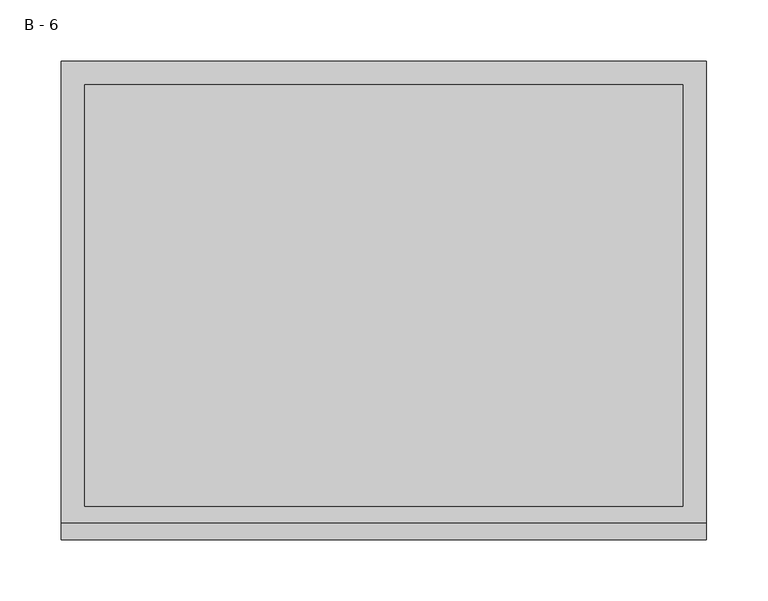
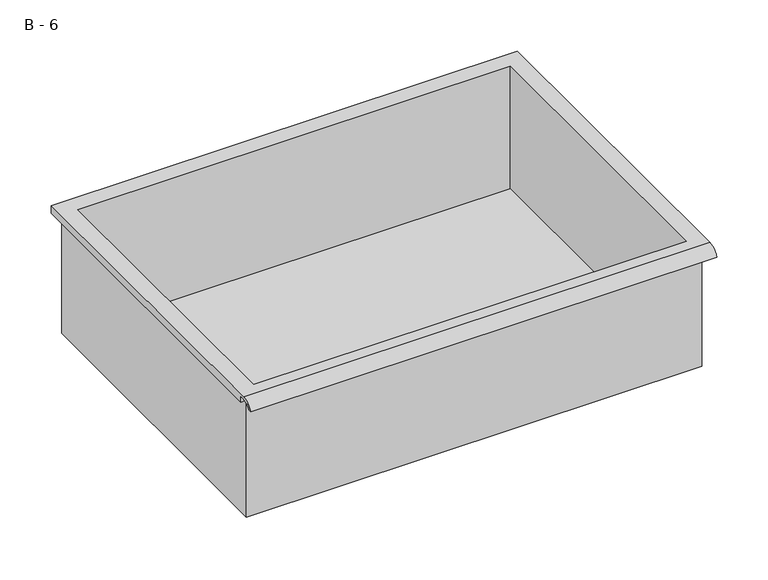
"""IFC4 building model written with IfcOpenShell, lengths in millimetres: furniture geometry, B - 6."""

from ifc_helpers import new_model, si_unit, frame, origin, place, context, project, spatial, polyline, circle_curve, source, transform, mapped, element, save
from ifc_brep_helpers import plane_surface, cylinder_surface, revolved_surface, advanced_brep


def b_6_684e5db0(model_context):
    return source(origin(), model_context, "Body", "AdvancedBrep", [
        advanced_brep(
        [(-257.1076517, -176.2125, 379.41504), (257.2423483, -176.2125, 379.41504), (257.2423483, -176.2125, 519.11504), (263.5923483, -176.2125, 519.11504), (263.5923483, -176.2125, 525.4221741), (-263.4576517, -176.2125, 525.4221741), (-263.4576517, -176.2125, 519.11504), (-257.1076517, -176.2125, 519.11504), (257.2423483, 185.7375, 379.41504), (-257.1076517, 185.7375, 379.41504), (-257.1076517, 185.7375, 519.11504), (257.2423483, 185.7375, 519.11504), (263.5923483, -181.6070544, 528.64004), (263.5923483, 195.2625, 528.64004), (-263.4576517, 195.2625, 528.64004), (-263.4576517, -181.6070544, 528.64004), (244.5423483, -168.275, 528.64004), (-244.4076517, -168.275, 528.64004), (-244.4076517, 176.2125, 528.64004), (244.5423483, 176.2125, 528.64004), (263.5923483, -195.2625, 519.11504), (263.5923483, -191.8280601, 519.11504), (263.5923483, -180.4714815, 525.4221741), (263.5923483, 195.2625, 519.11504), (-263.4576517, 195.2625, 519.11504), (-263.4576517, -180.4714815, 525.4221741), (-263.4576517, -191.8280601, 519.11504), (-263.4576517, -195.2625, 519.11504), (-244.4076517, -168.275, 382.4412119), (244.5423483, -168.275, 382.4412119), (244.5423483, 176.2125, 382.4412119), (-244.4076517, 176.2125, 382.4412119)],
        [
            (0, 1),
            (1, 2),
            (2, 3),
            (3, 4),
            (4, 5),
            (5, 6),
            (6, 7),
            (7, 0),
            (8, 9),
            (9, 10),
            (10, 11),
            (11, 8),
            (0, 9),
            (8, 1),
            (11, 2),
            (12, 13),
            (13, 14),
            (14, 15),
            (15, 12),
            (16, 17),
            (17, 18),
            (18, 19),
            (19, 16),
            (7, 10),
            (12, 20, circle_curve(frame((263.5923483, -181.6070544, 514.0890259), z_axis=(1.0, 0.0, 0.0), x_axis=(0.0, 1.0, 0.0)), 14.5510141)),
            (20, 21),
            (21, 22, circle_curve(frame((263.5923483, -181.6070544, 514.0890259), z_axis=(-1.0, 0.0, 0.0), x_axis=(0.0, 1.0, 0.0)), 11.3898979)),
            (22, 4),
            (3, 23),
            (23, 13),
            (14, 24),
            (24, 6),
            (5, 25),
            (25, 26, circle_curve(frame((-263.4576517, -181.6070544, 514.0890259), z_axis=(1.0, 0.0, 0.0), x_axis=(0.0, 1.0, 0.0)), 11.3898979)),
            (26, 27),
            (27, 15, circle_curve(frame((-263.4576517, -181.6070544, 514.0890259), z_axis=(-1.0, 0.0, 0.0), x_axis=(0.0, 1.0, 0.0)), 14.5510141)),
            (27, 20),
            (26, 21),
            (25, 22),
            (24, 23),
            (28, 29),
            (29, 30),
            (30, 31),
            (31, 28),
            (28, 17),
            (16, 29),
            (19, 30),
            (18, 31),
        ],
        [
            plane_surface(frame((257.2423483, -176.2125, 379.41504), z_axis=(0.0, -1.0, 0.0), x_axis=(1.0, 0.0, 0.0))),
            plane_surface(frame((257.2423483, 185.7375, 379.41504), z_axis=(0.0, 1.0, 0.0), x_axis=(-1.0, 0.0, 0.0))),
            plane_surface(frame((-257.1076517, -176.2125, 379.41504), z_axis=(0.0, 0.0, -1.0), x_axis=(0.0, 1.0, 0.0))),
            plane_surface(frame((257.2423483, -176.2125, 379.41504), z_axis=(1.0, 0.0, 0.0), x_axis=(0.0, 1.0, 0.0))),
            plane_surface(frame((257.2423483, -176.2125, 528.64004), z_axis=(0.0, 0.0, 1.0), x_axis=(0.0, 1.0, 0.0))),
            plane_surface(frame((-257.1076517, -176.2125, 528.64004), z_axis=(-1.0, 0.0, 0.0), x_axis=(0.0, 1.0, 0.0))),
            plane_surface(frame((263.5923483, 195.2625, 528.64004), z_axis=(1.0, 0.0, 0.0), x_axis=(0.0, -1.0, 0.0))),
            plane_surface(frame((-263.4576517, 195.2625, 528.64004), z_axis=(-1.0, 0.0, 0.0), x_axis=(0.0, 1.0, 0.0))),
            cylinder_surface(frame((-263.4576517, -181.6070544, 514.0890259), z_axis=(1.0, 0.0, 0.0), x_axis=(0.0, 1.0, 0.0)), 14.5510141),
            plane_surface(frame((263.5923483, -195.2625, 519.11504), z_axis=(0.0, -7.232115144331229e-12, -1.0), x_axis=(-1.0, 0.0, 0.0))),
            revolved_surface(polyline([(-263.4576517, -170.21715650000002, 514.0890259), (263.59234829999997, -170.21715650000002, 514.0890259)]), (-263.4576517, -181.6070544, 514.0890259), (-1.0, 0.0, 0.0)),
            plane_surface(frame((263.5923483, -180.4714815, 525.4221741), z_axis=(0.0, -1.789319213297562e-11, -1.0), x_axis=(-1.0, 0.0, 0.0))),
            plane_surface(frame((263.5923483, -176.2125, 519.11504), z_axis=(0.0, 0.0, -1.0), x_axis=(-1.0, 0.0, 0.0))),
            plane_surface(frame((263.5923483, 195.2625, 519.11504), z_axis=(0.0, 1.0, 0.0), x_axis=(-1.0, 0.0, 0.0))),
            plane_surface(frame((244.5423483, -168.275, 382.4412119), z_axis=(0.0, 0.0, 1.0), x_axis=(-1.0, 0.0, 0.0))),
            plane_surface(frame((-244.4076517, -168.275, 528.64004), z_axis=(0.0, 1.0, 0.0), x_axis=(0.0, 0.0, -1.0))),
            plane_surface(frame((244.5423483, -168.275, 528.64004), z_axis=(-1.0, 0.0, 0.0), x_axis=(0.0, 0.0, -1.0))),
            plane_surface(frame((244.5423483, 176.2125, 528.64004), z_axis=(0.0, -1.0, 0.0), x_axis=(0.0, 0.0, -1.0))),
            plane_surface(frame((-244.4076517, 176.2125, 528.64004), z_axis=(1.0, 0.0, 0.0), x_axis=(0.0, 0.0, -1.0))),
        ],
        [
            (0, [[1, 2, 3, 4, 5, 6, 7, 8]]),
            (1, [[9, 10, 11, 12]]),
            (2, [[-1, 13, -9, 14]]),
            (3, [[-14, -12, 15, -2]]),
            (4, [[16, 17, 18, 19], [20, 21, 22, 23]]),
            (5, [[-13, -8, 24, -10]]),
            (6, [[-16, 25, 26, 27, 28, -4, 29, 30]]),
            (7, [[31, 32, -6, 33, 34, 35, 36, -18]]),
            (8, [[-25, -19, -36, 37]]),
            (9, [[-26, -37, -35, 38]]),
            (10, [[-27, -38, -34, 39]]),
            (11, [[-28, -39, -33, -5]]),
            (12, [[-29, -3, -15, -11, -24, -7, -32, 40]]),
            (13, [[-30, -40, -31, -17]]),
            (14, [[41, 42, 43, 44]]),
            (15, [[-41, 45, -20, 46]]),
            (16, [[-42, -46, -23, 47]]),
            (17, [[-43, -47, -22, 48]]),
            (18, [[-44, -48, -21, -45]]),
        ],
    ),
    ])


if __name__ == "__main__":
    model = new_model("IFC4")
    model_context = context("Model", 3, world=origin())
    ifc_project = project(units=[si_unit("LENGTHUNIT", "METRE", prefix="MILLI")], contexts=[model_context])
    site = spatial("IfcSite", under=ifc_project)
    building = spatial("IfcBuilding", under=site)
    placement = place(None, origin())
    b_6_shape = b_6_684e5db0(model_context)
    element("IfcFurniture", 1, ObjectType="B - 6", at=placement, inside=building, context=model_context, shape_type="MappedRepresentation", body=[
        mapped(b_6_shape, transform((0.0, 0.0, 0.0), x_axis=(1.0, 0.0, 0.0), y_axis=(0.0, 1.0, 0.0), z_axis=(0.0, 0.0, 1.0))),
    ])
    save(model, "model.ifc")
